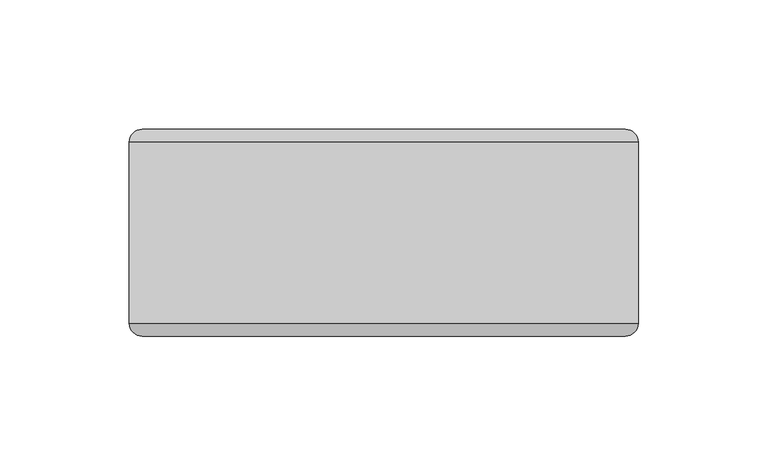
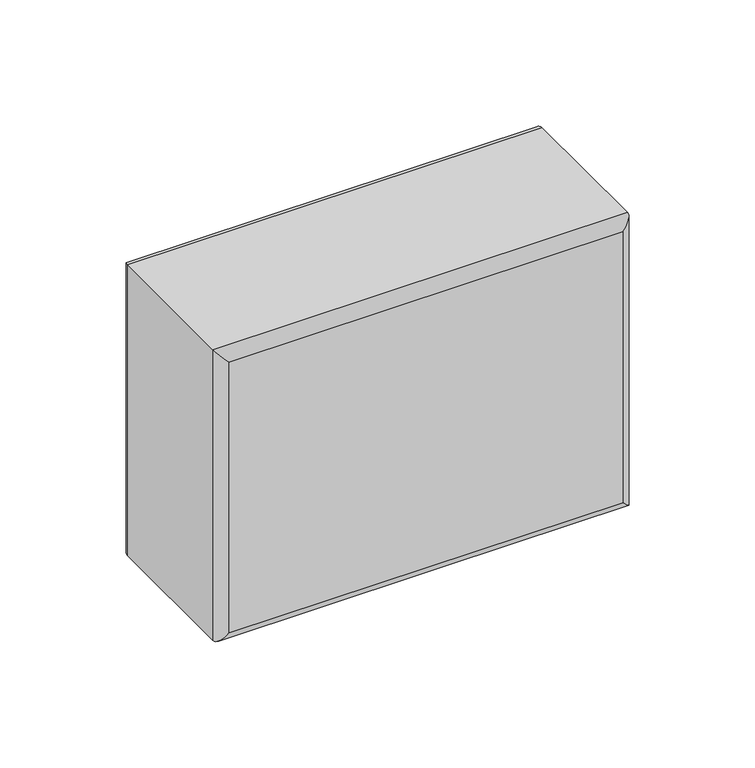
"""IFC4 building model written with IfcOpenShell, lengths in millimetres: plate geometry."""

from ifc_helpers import new_model, si_unit, frame, origin, place, context, project, spatial, ellipse_curve, source, transform, mapped, element, save
from ifc_brep_helpers import plane_surface, cylinder_surface, advanced_brep


def plate_21a76192(model_context):
    return source(origin(), model_context, "Body", "AdvancedBrep", [
        advanced_brep(
        [(-98.4250002, -35.0, 146.0336248), (98.5749998, -35.0, 146.0336248), (98.5749998, 35.0, 146.0336248), (-98.4250002, 35.0, 146.0336248), (98.5749998, -35.0, 0.0), (-98.4250002, -35.0, 0.0), (-98.4250002, 35.0, 0.0), (98.5749998, 35.0, 0.0), (-93.4250002, -40.0, 5.0), (93.5749998, -40.0, 5.0), (93.5749998, -40.0, 141.0336248), (-93.4250002, -40.0, 141.0336248), (93.5749998, 40.0, 5.0), (-93.4250002, 40.0, 5.0), (-93.4250002, 40.0, 141.0336248), (93.5749998, 40.0, 141.0336248)],
        [
            (0, 1),
            (1, 2),
            (2, 3),
            (3, 0),
            (4, 5),
            (5, 6),
            (6, 7),
            (7, 4),
            (8, 9),
            (9, 10),
            (10, 11),
            (11, 8),
            (1, 4),
            (7, 2),
            (12, 13),
            (13, 14),
            (14, 15),
            (15, 12),
            (5, 0),
            (3, 6),
            (4, 9, ellipse_curve(frame((93.5749998, -35.0, 5.0), z_axis=(-0.7071067811865475, 0.0, -0.7071067811865475), x_axis=(0.7071067811865476, 0.0, -0.7071067811865474)), 7.0710678, 5.0)),
            (8, 5, ellipse_curve(frame((-93.4250002, -35.0, 5.0), z_axis=(0.7071067811865475, 0.0, -0.7071067811865475), x_axis=(0.7071067811865476, 0.0, 0.7071067811865474)), 7.0710678, 5.0)),
            (1, 10, ellipse_curve(frame((93.5749998, -35.0, 141.0336248), z_axis=(0.7071067811865475, 0.0, -0.7071067811865475), x_axis=(0.7071067811865474, 0.0, 0.7071067811865476)), 7.0710678, 5.0)),
            (0, 11, ellipse_curve(frame((-93.4250002, -35.0, 141.0336248), z_axis=(0.7071067811865475, 0.0, 0.7071067811865475), x_axis=(-0.7071067811865476, 0.0, 0.7071067811865474)), 7.0710678, 5.0)),
            (12, 7, ellipse_curve(frame((93.5749998, 35.0, 5.0), z_axis=(-0.7071067811865475, 0.0, -0.7071067811865475), x_axis=(0.7071067811865476, 0.0, -0.7071067811865474)), 7.0710678, 5.0)),
            (6, 13, ellipse_curve(frame((-93.4250002, 35.0, 5.0), z_axis=(0.7071067811865475, 0.0, -0.7071067811865475), x_axis=(0.7071067811865476, 0.0, 0.7071067811865474)), 7.0710678, 5.0)),
            (15, 2, ellipse_curve(frame((93.5749998, 35.0, 141.0336248), z_axis=(0.7071067811865475, 0.0, -0.7071067811865475), x_axis=(0.7071067811865474, 0.0, 0.7071067811865476)), 7.0710678, 5.0)),
            (14, 3, ellipse_curve(frame((-93.4250002, 35.0, 141.0336248), z_axis=(0.7071067811865475, 0.0, 0.7071067811865475), x_axis=(-0.7071067811865476, 0.0, 0.7071067811865474)), 7.0710678, 5.0)),
        ],
        [
            plane_surface(frame((-98.4250002, -40.0, 146.0336248), z_axis=(0.0, 0.0, 1.0), x_axis=(1.0, 0.0, 0.0))),
            plane_surface(frame((-98.4250002, -40.0, 0.0), z_axis=(0.0, 0.0, -1.0), x_axis=(-1.0, 0.0, 0.0))),
            plane_surface(frame((-98.4250002, -40.0, 146.0336248), z_axis=(0.0, -1.0, 0.0), x_axis=(0.0, 0.0, -1.0))),
            plane_surface(frame((98.5749998, -40.0, 146.0336248), z_axis=(1.0, 0.0, 0.0), x_axis=(0.0, 0.0, -1.0))),
            plane_surface(frame((98.5749998, 40.0, 146.0336248), z_axis=(0.0, 1.0, 0.0), x_axis=(0.0, 0.0, -1.0))),
            plane_surface(frame((-98.4250002, 40.0, 146.0336248), z_axis=(-1.0, 0.0, 0.0), x_axis=(0.0, 0.0, -1.0))),
            cylinder_surface(frame((-98.4250002, -35.0, 5.0), z_axis=(1.0, 0.0, 0.0), x_axis=(0.0, 0.0, -1.0)), 5.0),
            cylinder_surface(frame((93.5749998, -35.0, 0.0), z_axis=(0.0, 0.0, 1.0), x_axis=(1.0, 0.0, 0.0)), 5.0),
            cylinder_surface(frame((98.5749998, -35.0, 141.0336248), z_axis=(-1.0, 0.0, 0.0), x_axis=(0.0, 0.0, 1.0)), 5.0),
            cylinder_surface(frame((-93.4250002, -35.0, 146.0336248), z_axis=(0.0, 0.0, -1.0), x_axis=(-1.0, 0.0, 0.0)), 5.0),
            cylinder_surface(frame((-98.4250002, 35.0, 5.0), z_axis=(1.0, 0.0, 0.0), x_axis=(0.0, 0.0, -1.0)), 5.0),
            cylinder_surface(frame((93.5749998, 35.0, 0.0), z_axis=(0.0, 0.0, 1.0), x_axis=(1.0, 0.0, 0.0)), 5.0),
            cylinder_surface(frame((98.5749998, 35.0, 141.0336248), z_axis=(-1.0, 0.0, 0.0), x_axis=(0.0, 0.0, 1.0)), 5.0),
            cylinder_surface(frame((-93.4250002, 35.0, 146.0336248), z_axis=(0.0, 0.0, -1.0), x_axis=(-1.0, 0.0, 0.0)), 5.0),
        ],
        [
            (0, [[1, 2, 3, 4]]),
            (1, [[5, 6, 7, 8]]),
            (2, [[9, 10, 11, 12]]),
            (3, [[13, -8, 14, -2]]),
            (4, [[15, 16, 17, 18]]),
            (5, [[19, -4, 20, -6]]),
            (6, [[21, -9, 22, -5]]),
            (7, [[-21, -13, 23, -10]]),
            (8, [[-23, -1, 24, -11]]),
            (9, [[-22, -12, -24, -19]]),
            (10, [[25, -7, 26, -15]]),
            (11, [[-25, -18, 27, -14]]),
            (12, [[-27, -17, 28, -3]]),
            (13, [[-26, -20, -28, -16]]),
        ],
    ),
    ])


if __name__ == "__main__":
    model = new_model("IFC4")
    model_context = context("Model", 3, world=origin())
    ifc_project = project(units=[si_unit("LENGTHUNIT", "METRE", prefix="MILLI")], contexts=[model_context])
    site = spatial("IfcSite", under=ifc_project)
    building = spatial("IfcBuilding", under=site)
    placement = place(None, origin())
    plate_shape = plate_21a76192(model_context)
    element("IfcPlate", 1, at=placement, inside=building, context=model_context, shape_type="MappedRepresentation", body=[
        mapped(plate_shape, transform((0.0, 0.0, 0.0), x_axis=(1.0, 0.0, 0.0), y_axis=(0.0, 1.0, 0.0), z_axis=(0.0, 0.0, 1.0))),
    ])
    save(model, "model.ifc")
